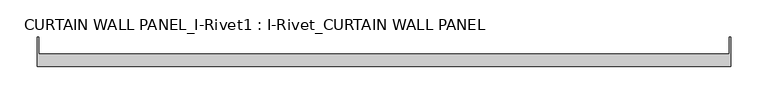
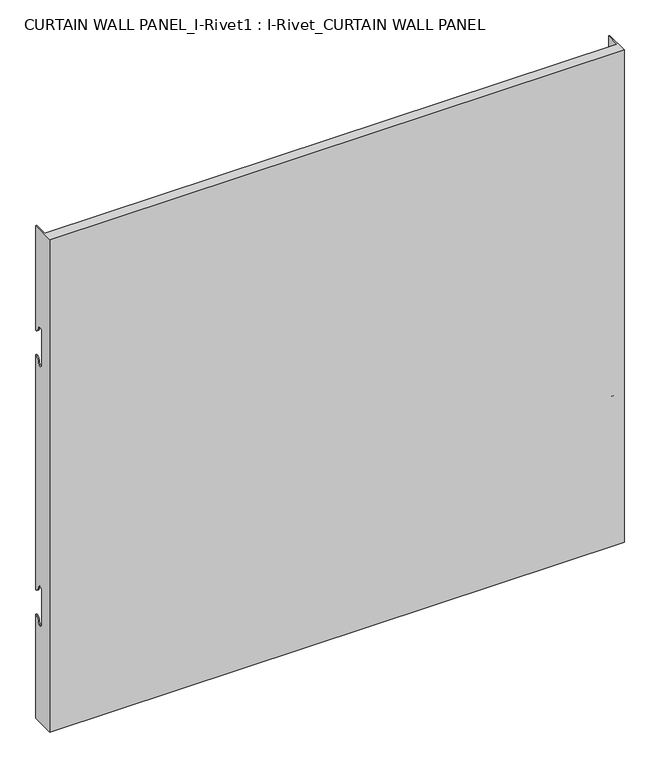
"""IFC4 building model written with IfcOpenShell, lengths in millimetres: plate geometry, CURTAIN WALL PANEL_I-Rivet1 : I-Rivet_CURTAIN WALL PANEL."""

from ifc_helpers import new_model, si_unit, frame, origin, place, context, project, spatial, polyline, circle_curve, source, transform, mapped, element, save
from ifc_brep_helpers import plane_surface, cylinder_surface, revolved_surface, advanced_brep


def curtain_wall_panel_i_rivet1_i_rivet_curtain_wall_panel_5bcbe0bb(model_context):
    return source(origin(), model_context, "Body", "AdvancedBrep", [
        advanced_brep(
        [(-466.0, -85.0, 845.0), (466.0, -85.0, 845.0), (466.0, -45.3384103, 845.0), (464.0, -45.3384103, 845.0), (464.0, -68.0, 845.0), (-464.0, -68.0, 845.0), (-464.0, -45.3384103, 845.0), (-466.0, -45.3384103, 845.0), (-466.0, -85.0, 0.0), (-466.0, -45.3384103, 0.0), (-464.0, -45.3384103, 0.0), (-464.0, -68.0, 0.0), (464.0, -68.0, 0.0), (464.0, -45.3384103, 0.0), (466.0, -45.3384103, 0.0), (466.0, -85.0, 0.0), (-466.0, -45.3384103, 666.0), (-466.0, -52.3384103, 673.0), (-466.0, -63.3384103, 673.0), (-466.0, -63.3384103, 617.0), (-466.0, -52.3384103, 617.0), (-466.0, -45.3384103, 624.0), (-466.0, -45.3384103, 221.0), (-466.0, -52.3384103, 228.0), (-466.0, -63.3384103, 228.0), (-466.0, -63.3384103, 172.0), (-466.0, -52.3384103, 172.0), (-466.0, -45.3384103, 179.0), (-464.0, -45.3384103, 179.0), (-464.0, -45.3384103, 624.0), (-464.0, -45.3384103, 221.0), (-464.0, -45.3384103, 666.0), (466.0, -45.3384103, 666.0), (464.0, -45.3384103, 666.0), (464.0, -45.3384103, 179.0), (466.0, -45.3384103, 179.0), (464.0, -45.3384103, 221.0), (464.0, -45.3384103, 624.0), (466.0, -45.3384103, 624.0), (466.0, -45.3384103, 221.0), (466.0, -52.3384103, 172.0), (466.0, -63.3384103, 172.0), (466.0, -63.3384103, 228.0), (466.0, -52.3384103, 228.0), (466.0, -52.3384103, 617.0), (466.0, -63.3384103, 617.0), (466.0, -63.3384103, 673.0), (466.0, -52.3384103, 673.0), (-464.0, -52.3384103, 172.0), (-464.0, -63.3384103, 172.0), (-464.0, -63.3384103, 228.0), (-464.0, -52.3384103, 228.0), (-464.0, -52.3384103, 617.0), (-464.0, -63.3384103, 617.0), (-464.0, -63.3384103, 673.0), (-464.0, -52.3384103, 673.0), (464.0, -52.3384103, 673.0), (464.0, -63.3384103, 673.0), (464.0, -63.3384103, 617.0), (464.0, -52.3384103, 617.0), (464.0, -52.3384103, 228.0), (464.0, -63.3384103, 228.0), (464.0, -63.3384103, 172.0), (464.0, -52.3384103, 172.0)],
        [
            (0, 1),
            (1, 2),
            (2, 3),
            (3, 4),
            (4, 5),
            (5, 6),
            (6, 7),
            (7, 0),
            (8, 9),
            (9, 10),
            (10, 11),
            (11, 12),
            (12, 13),
            (13, 14),
            (14, 15),
            (15, 8),
            (7, 16),
            (16, 17, circle_curve(frame((-466.0, -45.3384103, 673.0), z_axis=(-1.0, 0.0, 0.0), x_axis=(0.0, -1.0, 0.0)), 7.0)),
            (17, 18, circle_curve(frame((-466.0, -57.8384103, 673.0), z_axis=(1.0, 0.0, 0.0), x_axis=(0.0, -1.0, 0.0)), 5.5)),
            (18, 19),
            (19, 20, circle_curve(frame((-466.0, -57.8384103, 617.0), z_axis=(1.0, 0.0, 0.0), x_axis=(0.0, -1.0, 0.0)), 5.5)),
            (20, 21, circle_curve(frame((-466.0, -45.3384103, 617.0), z_axis=(-1.0, 0.0, 0.0), x_axis=(0.0, -1.0, 0.0)), 7.0)),
            (21, 22),
            (22, 23, circle_curve(frame((-466.0, -45.3384103, 228.0), z_axis=(-1.0, 0.0, 0.0), x_axis=(0.0, -1.0, 0.0)), 7.0)),
            (23, 24, circle_curve(frame((-466.0, -57.8384103, 228.0), z_axis=(1.0, 0.0, 0.0), x_axis=(0.0, -1.0, 0.0)), 5.5)),
            (24, 25),
            (25, 26, circle_curve(frame((-466.0, -57.8384103, 172.0), z_axis=(1.0, 0.0, 0.0), x_axis=(0.0, -1.0, 0.0)), 5.5)),
            (26, 27, circle_curve(frame((-466.0, -45.3384103, 172.0), z_axis=(-1.0, 0.0, 0.0), x_axis=(0.0, -1.0, 0.0)), 7.0)),
            (27, 9),
            (8, 0),
            (27, 28),
            (28, 10),
            (21, 29),
            (29, 30),
            (30, 22),
            (6, 31),
            (31, 16),
            (2, 32),
            (32, 33),
            (33, 3),
            (13, 34),
            (34, 35),
            (35, 14),
            (36, 37),
            (37, 38),
            (38, 39),
            (39, 36),
            (1, 15),
            (35, 40, circle_curve(frame((466.0, -45.3384103, 172.0), z_axis=(1.0, 0.0, 0.0), x_axis=(0.0, -1.0, 0.0)), 7.0)),
            (40, 41, circle_curve(frame((466.0, -57.8384103, 172.0), z_axis=(-1.0, 0.0, 0.0), x_axis=(0.0, -1.0, 0.0)), 5.5)),
            (41, 42),
            (42, 43, circle_curve(frame((466.0, -57.8384103, 228.0), z_axis=(-1.0, 0.0, 0.0), x_axis=(0.0, -1.0, 0.0)), 5.5)),
            (43, 39, circle_curve(frame((466.0, -45.3384103, 228.0), z_axis=(1.0, 0.0, 0.0), x_axis=(0.0, -1.0, 0.0)), 7.0)),
            (38, 44, circle_curve(frame((466.0, -45.3384103, 617.0), z_axis=(1.0, 0.0, 0.0), x_axis=(0.0, -1.0, 0.0)), 7.0)),
            (44, 45, circle_curve(frame((466.0, -57.8384103, 617.0), z_axis=(-1.0, 0.0, 0.0), x_axis=(0.0, -1.0, 0.0)), 5.5)),
            (45, 46),
            (46, 47, circle_curve(frame((466.0, -57.8384103, 673.0), z_axis=(-1.0, 0.0, 0.0), x_axis=(0.0, -1.0, 0.0)), 5.5)),
            (47, 32, circle_curve(frame((466.0, -45.3384103, 673.0), z_axis=(1.0, 0.0, 0.0), x_axis=(0.0, -1.0, 0.0)), 7.0)),
            (5, 11),
            (28, 48, circle_curve(frame((-464.0, -45.3384103, 172.0), z_axis=(1.0, 0.0, 0.0), x_axis=(0.0, -1.0, 0.0)), 7.0)),
            (48, 49, circle_curve(frame((-464.0, -57.8384103, 172.0), z_axis=(-1.0, 0.0, 0.0), x_axis=(0.0, -1.0, 0.0)), 5.5)),
            (49, 50),
            (50, 51, circle_curve(frame((-464.0, -57.8384103, 228.0), z_axis=(-1.0, 0.0, 0.0), x_axis=(0.0, -1.0, 0.0)), 5.5)),
            (51, 30, circle_curve(frame((-464.0, -45.3384103, 228.0), z_axis=(1.0, 0.0, 0.0), x_axis=(0.0, -1.0, 0.0)), 7.0)),
            (29, 52, circle_curve(frame((-464.0, -45.3384103, 617.0), z_axis=(1.0, 0.0, 0.0), x_axis=(0.0, -1.0, 0.0)), 7.0)),
            (52, 53, circle_curve(frame((-464.0, -57.8384103, 617.0), z_axis=(-1.0, 0.0, 0.0), x_axis=(0.0, -1.0, 0.0)), 5.5)),
            (53, 54),
            (54, 55, circle_curve(frame((-464.0, -57.8384103, 673.0), z_axis=(-1.0, 0.0, 0.0), x_axis=(0.0, -1.0, 0.0)), 5.5)),
            (55, 31, circle_curve(frame((-464.0, -45.3384103, 673.0), z_axis=(1.0, 0.0, 0.0), x_axis=(0.0, -1.0, 0.0)), 7.0)),
            (33, 56, circle_curve(frame((464.0, -45.3384103, 673.0), z_axis=(-1.0, 0.0, 0.0), x_axis=(0.0, -1.0, 0.0)), 7.0)),
            (56, 57, circle_curve(frame((464.0, -57.8384103, 673.0), z_axis=(1.0, 0.0, 0.0), x_axis=(0.0, -1.0, 0.0)), 5.5)),
            (57, 58),
            (58, 59, circle_curve(frame((464.0, -57.8384103, 617.0), z_axis=(1.0, 0.0, 0.0), x_axis=(0.0, -1.0, 0.0)), 5.5)),
            (59, 37, circle_curve(frame((464.0, -45.3384103, 617.0), z_axis=(-1.0, 0.0, 0.0), x_axis=(0.0, -1.0, 0.0)), 7.0)),
            (36, 60, circle_curve(frame((464.0, -45.3384103, 228.0), z_axis=(-1.0, 0.0, 0.0), x_axis=(0.0, -1.0, 0.0)), 7.0)),
            (60, 61, circle_curve(frame((464.0, -57.8384103, 228.0), z_axis=(1.0, 0.0, 0.0), x_axis=(0.0, -1.0, 0.0)), 5.5)),
            (61, 62),
            (62, 63, circle_curve(frame((464.0, -57.8384103, 172.0), z_axis=(1.0, 0.0, 0.0), x_axis=(0.0, -1.0, 0.0)), 5.5)),
            (63, 34, circle_curve(frame((464.0, -45.3384103, 172.0), z_axis=(-1.0, 0.0, 0.0), x_axis=(0.0, -1.0, 0.0)), 7.0)),
            (12, 4),
            (41, 62),
            (61, 42),
            (49, 25),
            (24, 50),
            (40, 63),
            (48, 26),
            (51, 23),
            (43, 60),
            (18, 54),
            (53, 19),
            (57, 46),
            (45, 58),
            (17, 55),
            (56, 47),
            (59, 44),
            (20, 52),
        ],
        [
            plane_surface(frame((-466.0, -45.3384103, 845.0), z_axis=(0.0, 0.0, 1.0), x_axis=(0.0, 1.0, 0.0))),
            plane_surface(frame((-466.0, -45.3384103, 0.0), z_axis=(0.0, 0.0, -1.0), x_axis=(0.0, -1.0, 0.0))),
            plane_surface(frame((-466.0, -85.0, 845.0), z_axis=(-1.0, 0.0, 0.0), x_axis=(0.0, 0.0, -1.0))),
            plane_surface(frame((-466.0, -45.3384103, 845.0), z_axis=(0.0, 1.0, 0.0), x_axis=(0.0, 0.0, -1.0))),
            plane_surface(frame((464.0, -45.3384103, 845.0), z_axis=(0.0, 1.0, 0.0), x_axis=(0.0, 0.0, -1.0))),
            plane_surface(frame((466.0, -45.3384103, 845.0), z_axis=(1.0, 0.0, 0.0), x_axis=(0.0, 0.0, -1.0))),
            plane_surface(frame((466.0, -85.0, 845.0), z_axis=(0.0, -1.0, 0.0), x_axis=(0.0, 0.0, -1.0))),
            plane_surface(frame((-464.0, -45.3384103, 845.0), z_axis=(1.0, 0.0, 0.0), x_axis=(0.0, 0.0, -1.0))),
            plane_surface(frame((464.0, -68.0, 845.0), z_axis=(-1.0, 0.0, 0.0), x_axis=(0.0, 0.0, -1.0))),
            plane_surface(frame((-465.0, -68.0, 845.0), z_axis=(0.0, 1.0, 0.0), x_axis=(0.0, 0.0, -1.0))),
            plane_surface(frame((-466.0, -63.3384103, 228.0), z_axis=(0.0, 1.0, 0.0), x_axis=(1.0, 0.0, 0.0))),
            revolved_surface(polyline([(464.0, -63.3384103, 172.0), (466.0, -63.3384103, 172.0)]), (-466.0, -57.8384103, 172.0), (-1.0, 0.0, 0.0)),
            revolved_surface(polyline([(-466.0, -63.3384103, 172.0), (-464.0, -63.3384103, 172.0)]), (-466.0, -57.8384103, 172.0), (-1.0, 0.0, 0.0)),
            cylinder_surface(frame((-466.0, -45.3384103, 172.0), z_axis=(1.0, 0.0, 0.0), x_axis=(0.0, -1.0, 0.0)), 7.0),
            cylinder_surface(frame((-466.0, -45.3384103, 228.0), z_axis=(1.0, 0.0, 0.0), x_axis=(0.0, -1.0, 0.0)), 7.0),
            revolved_surface(polyline([(-466.0, -63.3384103, 228.0), (-464.0, -63.3384103, 228.0)]), (-466.0, -57.8384103, 228.0), (-1.0, 0.0, 0.0)),
            revolved_surface(polyline([(464.0, -63.3384103, 228.0), (466.0, -63.3384103, 228.0)]), (-466.0, -57.8384103, 228.0), (-1.0, 0.0, 0.0)),
            plane_surface(frame((466.0, -63.3384103, 617.0), z_axis=(0.0, 1.0, 0.0), x_axis=(-1.0, 0.0, 0.0))),
            revolved_surface(polyline([(-464.0, -63.3384103, 673.0), (-466.0, -63.3384103, 673.0)]), (466.0, -57.8384103, 673.0), (1.0, 0.0, 0.0)),
            revolved_surface(polyline([(466.0, -63.3384103, 673.0), (464.0, -63.3384103, 673.0)]), (466.0, -57.8384103, 673.0), (1.0, 0.0, 0.0)),
            cylinder_surface(frame((466.0, -45.3384103, 673.0), z_axis=(-1.0, 0.0, 0.0), x_axis=(0.0, -1.0, 0.0)), 7.0),
            cylinder_surface(frame((466.0, -45.3384103, 617.0), z_axis=(-1.0, 0.0, 0.0), x_axis=(0.0, -1.0, 0.0)), 7.0),
            revolved_surface(polyline([(466.0, -63.3384103, 617.0), (464.0, -63.3384103, 617.0)]), (466.0, -57.8384103, 617.0), (1.0, 0.0, 0.0)),
            revolved_surface(polyline([(-464.0, -63.3384103, 617.0), (-466.0, -63.3384103, 617.0)]), (466.0, -57.8384103, 617.0), (1.0, 0.0, 0.0)),
        ],
        [
            (0, [[1, 2, 3, 4, 5, 6, 7, 8]]),
            (1, [[9, 10, 11, 12, 13, 14, 15, 16]]),
            (2, [[17, 18, 19, 20, 21, 22, 23, 24, 25, 26, 27, 28, 29, -9, 30, -8]]),
            (3, [[-29, 31, 32, -10]]),
            (3, [[-23, 33, 34, 35]]),
            (3, [[36, 37, -17, -7]]),
            (4, [[38, 39, 40, -3]]),
            (4, [[41, 42, 43, -14]]),
            (4, [[44, 45, 46, 47]]),
            (5, [[48, -15, -43, 49, 50, 51, 52, 53, -46, 54, 55, 56, 57, 58, -38, -2]]),
            (6, [[-30, -16, -48, -1]]),
            (7, [[59, -11, -32, 60, 61, 62, 63, 64, -34, 65, 66, 67, 68, 69, -36, -6]]),
            (8, [[-40, 70, 71, 72, 73, 74, -44, 75, 76, 77, 78, 79, -41, -13, 80, -4]]),
            (9, [[-80, -12, -59, -5]]),
            (10, [[-51, 81, -77, 82]]),
            (10, [[-62, 83, -26, 84]]),
            (11, [[-50, 85, -78, -81]]),
            (12, [[-61, 86, -27, -83]]),
            (13, [[-49, -42, -79, -85]]),
            (13, [[-60, -31, -28, -86]]),
            (14, [[-24, -35, -64, 87]]),
            (14, [[-75, -47, -53, 88]]),
            (15, [[-25, -87, -63, -84]]),
            (16, [[-76, -88, -52, -82]]),
            (17, [[-20, 89, -67, 90]]),
            (17, [[-72, 91, -56, 92]]),
            (18, [[-19, 93, -68, -89]]),
            (19, [[-71, 94, -57, -91]]),
            (20, [[-18, -37, -69, -93]]),
            (20, [[-70, -39, -58, -94]]),
            (21, [[-54, -45, -74, 95]]),
            (21, [[-65, -33, -22, 96]]),
            (22, [[-55, -95, -73, -92]]),
            (23, [[-66, -96, -21, -90]]),
        ],
    ),
    ])


if __name__ == "__main__":
    model = new_model("IFC4")
    model_context = context("Model", 3, world=origin())
    ifc_project = project(units=[si_unit("LENGTHUNIT", "METRE", prefix="MILLI")], contexts=[model_context])
    site = spatial("IfcSite", under=ifc_project)
    building = spatial("IfcBuilding", under=site)
    placement = place(None, origin())
    curtain_wall_panel_i_rivet1_i_rivet_curtain_wall_panel_shape = curtain_wall_panel_i_rivet1_i_rivet_curtain_wall_panel_5bcbe0bb(model_context)
    element("IfcPlate", 1, ObjectType="CURTAIN WALL PANEL_I-Rivet1 : I-Rivet_CURTAIN WALL PANEL", at=placement, inside=building, context=model_context, shape_type="MappedRepresentation", body=[
        mapped(curtain_wall_panel_i_rivet1_i_rivet_curtain_wall_panel_shape, transform((0.0, 0.0, 0.0), x_axis=(1.0, 0.0, 0.0), y_axis=(0.0, 1.0, 0.0), z_axis=(0.0, 0.0, 1.0))),
    ])
    save(model, "model.ifc")
